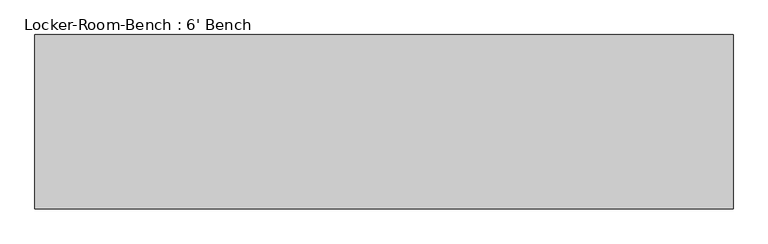
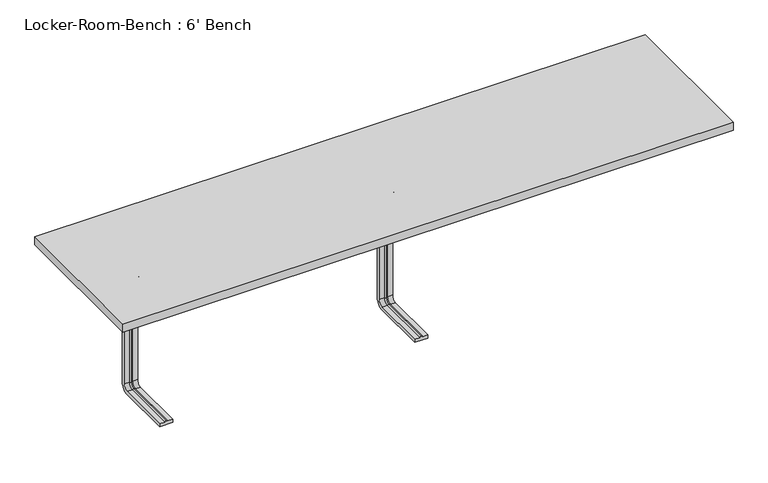
"""IFC4 building model written with IfcOpenShell, lengths in millimetres: proxy geometry, Locker-Room-Bench : 6' Bench."""

from ifc_helpers import new_model, si_unit, point, frame, origin, place, context, project, spatial, polyline, circle_curve, ellipse_curve, trimmed, outline, extrude, source, transform, mapped, element, save
from ifc_brep_helpers import plane_surface, cylinder_surface, revolved_surface, advanced_brep


def locker_room_bench_6_bench_adb4860a(model_context):
    return source(origin(), model_context, "Body", "SolidModel", [
        advanced_brep(
        [(-744.4, -193.6, 381.4), (-784.4, -193.6, 381.4), (-784.4, -193.6, 371.4), (-769.4, -193.6, 371.4), (-764.4, -193.6, 369.0684617), (-759.4, -193.6, 371.4), (-744.4, -193.6, 371.4), (-744.4, -25.0, 381.4), (-784.4, -25.0, 381.4), (-784.4, 0.0, 356.4), (-784.4, 0.0, 40.0), (-784.4, -25.0, 15.0), (-784.4, -193.6, 15.0), (-784.4, -193.6, 25.0), (-784.4, -25.0, 25.0), (-784.4, -10.0, 40.0), (-784.4, -10.0, 356.4), (-784.4, -25.0, 371.4), (-769.4, -25.0, 371.4), (-764.4, -25.0, 369.0684617), (-759.4, -25.0, 371.4), (-744.4, -25.0, 371.4), (-744.4, -10.0, 356.4), (-744.4, -10.0, 40.0), (-744.4, -25.0, 25.0), (-744.4, -193.6, 25.0), (-744.4, -193.6, 15.0), (-744.4, -25.0, 15.0), (-744.4, 0.0, 40.0), (-744.4, 0.0, 356.4), (-769.4, -10.0, 356.4), (-764.4, -12.3315383, 356.4), (-759.4, -10.0, 356.4), (-769.4, -10.0, 40.0), (-764.4, -12.3315383, 40.0), (-759.4, -10.0, 40.0), (-769.4, -25.0, 25.0), (-764.4, -25.0, 27.3315383), (-759.4, -25.0, 25.0), (-759.4, -193.6, 25.0), (-764.4, -193.6, 27.3315383), (-769.4, -193.6, 25.0)],
        [
            (0, 1),
            (1, 2),
            (2, 3),
            (3, 4, circle_curve(frame((-764.6996409, -193.6, 374.9529162), z_axis=(0.0, -1.0, 0.0), x_axis=(0.0, 0.0, 1.0)), 5.8920785)),
            (4, 5, circle_curve(frame((-764.1003591, -193.6, 374.9529162), z_axis=(0.0, -1.0, 0.0), x_axis=(0.0, 0.0, 1.0)), 5.8920785)),
            (5, 6),
            (6, 0),
            (0, 7),
            (7, 8),
            (8, 1),
            (8, 9, circle_curve(frame((-784.4, -25.0, 356.4), z_axis=(-1.0, 0.0, 0.0), x_axis=(0.0, 0.0, 1.0)), 25.0)),
            (9, 10),
            (10, 11, circle_curve(frame((-784.4, -25.0, 40.0), z_axis=(-1.0, 0.0, 0.0), x_axis=(0.0, 1.0, 0.0)), 25.0)),
            (11, 12),
            (12, 13),
            (13, 14),
            (14, 15, circle_curve(frame((-784.4, -25.0, 40.0), z_axis=(1.0, 0.0, 0.0), x_axis=(0.0, 1.0, 0.0)), 15.0)),
            (15, 16),
            (16, 17, circle_curve(frame((-784.4, -25.0, 356.4), z_axis=(1.0, 0.0, 0.0), x_axis=(0.0, 0.0, 1.0)), 15.0)),
            (17, 2),
            (17, 18),
            (18, 3),
            (18, 19, circle_curve(frame((-764.6996409, -25.0, 374.9529162), z_axis=(0.0, -1.0, 0.0), x_axis=(0.0, 0.0, 1.0)), 5.8920785)),
            (19, 4),
            (19, 20, circle_curve(frame((-764.1003591, -25.0, 374.9529162), z_axis=(0.0, -1.0, 0.0), x_axis=(0.0, 0.0, 1.0)), 5.8920785)),
            (20, 5),
            (20, 21),
            (21, 6),
            (21, 22, circle_curve(frame((-744.4, -25.0, 356.4), z_axis=(-1.0, 0.0, 0.0), x_axis=(0.0, 0.0, 1.0)), 15.0)),
            (22, 23),
            (23, 24, circle_curve(frame((-744.4, -25.0, 40.0), z_axis=(-1.0, 0.0, 0.0), x_axis=(0.0, 1.0, 0.0)), 15.0)),
            (24, 25),
            (25, 26),
            (26, 27),
            (27, 28, circle_curve(frame((-744.4, -25.0, 40.0), z_axis=(1.0, 0.0, 0.0), x_axis=(0.0, 1.0, 0.0)), 25.0)),
            (28, 29),
            (29, 7, circle_curve(frame((-744.4, -25.0, 356.4), z_axis=(1.0, 0.0, 0.0), x_axis=(0.0, 0.0, 1.0)), 25.0)),
            (29, 9),
            (30, 18, circle_curve(frame((-769.4, -25.0, 356.4), z_axis=(1.0, 0.0, 0.0), x_axis=(0.0, 0.0, 1.0)), 15.0)),
            (16, 30),
            (31, 19, circle_curve(frame((-764.4, -25.0, 356.4), z_axis=(1.0, 0.0, 0.0), x_axis=(0.0, 0.0, 1.0)), 12.6684617)),
            (30, 31, circle_curve(frame((-764.6996409, -6.4470838, 356.4), z_axis=(0.0, 0.0, 1.0), x_axis=(0.0, 1.0, 0.0)), 5.8920785)),
            (32, 20, circle_curve(frame((-759.4, -25.0, 356.4), z_axis=(1.0, 0.0, 0.0), x_axis=(0.0, 0.0, 1.0)), 15.0)),
            (31, 32, circle_curve(frame((-764.1003591, -6.4470838, 356.4), z_axis=(0.0, 0.0, 1.0), x_axis=(0.0, 1.0, 0.0)), 5.8920785)),
            (32, 22),
            (28, 10),
            (15, 33),
            (33, 30),
            (33, 34, circle_curve(frame((-764.6996409, -6.4470838, 40.0), z_axis=(0.0, 0.0, 1.0), x_axis=(0.0, 1.0, 0.0)), 5.8920785)),
            (34, 31),
            (34, 35, circle_curve(frame((-764.1003591, -6.4470838, 40.0), z_axis=(0.0, 0.0, 1.0), x_axis=(0.0, 1.0, 0.0)), 5.8920785)),
            (35, 32),
            (35, 23),
            (27, 11),
            (36, 33, circle_curve(frame((-769.4, -25.0, 40.0), z_axis=(1.0, 0.0, 0.0), x_axis=(0.0, 1.0, 0.0)), 15.0)),
            (14, 36),
            (37, 34, circle_curve(frame((-764.4, -25.0, 40.0), z_axis=(1.0, 0.0, 0.0), x_axis=(0.0, 1.0, 0.0)), 12.6684617)),
            (36, 37, circle_curve(frame((-764.6996409, -25.0, 21.4470838), z_axis=(0.0, 1.0, 0.0), x_axis=(0.0, 0.0, -1.0)), 5.8920785)),
            (38, 35, circle_curve(frame((-759.4, -25.0, 40.0), z_axis=(1.0, 0.0, 0.0), x_axis=(0.0, 1.0, 0.0)), 15.0)),
            (37, 38, circle_curve(frame((-764.1003591, -25.0, 21.4470838), z_axis=(0.0, 1.0, 0.0), x_axis=(0.0, 0.0, -1.0)), 5.8920785)),
            (38, 24),
            (25, 39),
            (39, 40, circle_curve(frame((-764.1003591, -193.6, 21.4470838), z_axis=(0.0, -1.0, 0.0), x_axis=(0.0, 0.0, -1.0)), 5.8920785)),
            (40, 41, circle_curve(frame((-764.6996409, -193.6, 21.4470838), z_axis=(0.0, -1.0, 0.0), x_axis=(0.0, 0.0, -1.0)), 5.8920785)),
            (41, 13),
            (12, 26),
            (41, 36),
            (40, 37),
            (39, 38),
        ],
        [
            plane_surface(frame((-764.4, -193.6, 381.4), z_axis=(0.0, -1.0, 0.0), x_axis=(1.0, 0.0, 0.0))),
            plane_surface(frame((-744.4, -193.6, 381.4), z_axis=(0.0, 0.0, 1.0), x_axis=(0.0, 1.0, 0.0))),
            plane_surface(frame((-784.4, -193.6, 381.4), z_axis=(-1.0, 0.0, 0.0), x_axis=(0.0, 1.0, 0.0))),
            plane_surface(frame((-784.4, -193.6, 371.4), z_axis=(0.0, 0.0, -1.0), x_axis=(0.0, 1.0, 0.0))),
            cylinder_surface(frame((-764.6996409, -193.6, 374.9529162), z_axis=(0.0, -1.0, 0.0), x_axis=(0.0, 0.0, 1.0)), 5.8920785),
            cylinder_surface(frame((-764.1003591, -193.6, 374.9529162), z_axis=(0.0, -1.0, 0.0), x_axis=(0.0, 0.0, 1.0)), 5.8920785),
            plane_surface(frame((-759.4, -193.6, 371.4), z_axis=(0.0, 0.0, -1.0), x_axis=(0.0, 1.0, 0.0))),
            plane_surface(frame((-744.4, -193.6, 371.4), z_axis=(1.0, 0.0, 0.0), x_axis=(0.0, 1.0, 0.0))),
            cylinder_surface(frame((-764.4, -25.0, 356.4), z_axis=(-1.0, 0.0, 0.0), x_axis=(0.0, 0.0, 1.0)), 25.0),
            revolved_surface(polyline([(-784.4, -25.0, 371.4), (-769.4, -25.0, 371.4)]), (-764.4, -25.0, 356.4), (-1.0, 0.0, 0.0)),
            revolved_surface(trimmed(ellipse_curve(frame((-764.6996409, -25.0, 374.9529162), z_axis=(0.0, -1.0, 0.0), x_axis=(0.0, 0.0, 1.0)), 5.8920785, 5.8920785), [point((-769.4, -25.0, 371.4))], [point((-764.4, -25.0, 369.0684617))], True, "CARTESIAN"), (-764.4, -25.0, 356.4), (-1.0, 0.0, 0.0)),
            revolved_surface(trimmed(ellipse_curve(frame((-764.1003591, -25.0, 374.9529162), z_axis=(0.0, -1.0, 0.0), x_axis=(0.0, 0.0, 1.0)), 5.8920785, 5.8920785), [point((-764.4, -25.0, 369.0684617))], [point((-759.4, -25.0, 371.4))], True, "CARTESIAN"), (-764.4, -25.0, 356.4), (-1.0, 0.0, 0.0)),
            revolved_surface(polyline([(-759.4, -25.0, 371.4), (-744.4, -25.0, 371.4)]), (-764.4, -25.0, 356.4), (-1.0, 0.0, 0.0)),
            plane_surface(frame((-744.4, 0.0, 356.4), z_axis=(0.0, 1.0, 0.0), x_axis=(0.0, 0.0, -1.0))),
            plane_surface(frame((-784.4, -10.0, 356.4), z_axis=(0.0, -1.0, 0.0), x_axis=(0.0, 0.0, -1.0))),
            cylinder_surface(frame((-764.6996409, -6.4470838, 356.4), z_axis=(0.0, 0.0, 1.0), x_axis=(0.0, 1.0, 0.0)), 5.8920785),
            cylinder_surface(frame((-764.1003591, -6.4470838, 356.4), z_axis=(0.0, 0.0, 1.0), x_axis=(0.0, 1.0, 0.0)), 5.8920785),
            plane_surface(frame((-759.4, -10.0, 356.4), z_axis=(0.0, -1.0, 0.0), x_axis=(0.0, 0.0, -1.0))),
            cylinder_surface(frame((-764.4, -25.0, 40.0), z_axis=(-1.0, 0.0, 0.0), x_axis=(0.0, 1.0, 0.0)), 25.0),
            revolved_surface(polyline([(-784.4, -10.0, 40.0), (-769.4, -10.0, 40.0)]), (-764.4, -25.0, 40.0), (-1.0, 0.0, 0.0)),
            revolved_surface(trimmed(ellipse_curve(frame((-764.6996409, -6.4470838, 40.0), z_axis=(0.0, 0.0, 1.0), x_axis=(0.0, 1.0, 0.0)), 5.8920785, 5.8920785), [point((-769.4, -10.0, 40.0))], [point((-764.4, -12.3315383, 40.0))], True, "CARTESIAN"), (-764.4, -25.0, 40.0), (-1.0, 0.0, 0.0)),
            revolved_surface(trimmed(ellipse_curve(frame((-764.1003591, -6.4470838, 40.0), z_axis=(0.0, 0.0, 1.0), x_axis=(0.0, 1.0, 0.0)), 5.8920785, 5.8920785), [point((-764.4, -12.3315383, 40.0))], [point((-759.4, -10.0, 40.0))], True, "CARTESIAN"), (-764.4, -25.0, 40.0), (-1.0, 0.0, 0.0)),
            revolved_surface(polyline([(-759.4, -10.0, 40.0), (-744.4, -10.0, 40.0)]), (-764.4, -25.0, 40.0), (-1.0, 0.0, 0.0)),
            plane_surface(frame((-764.4, -193.6, 15.0), z_axis=(0.0, -1.0, 0.0), x_axis=(1.0, 0.0, 0.0))),
            plane_surface(frame((-744.4, -25.0, 15.0), z_axis=(0.0, 0.0, -1.0), x_axis=(0.0, -1.0, 0.0))),
            plane_surface(frame((-784.4, -25.0, 25.0), z_axis=(0.0, 0.0, 1.0), x_axis=(0.0, -1.0, 0.0))),
            cylinder_surface(frame((-764.6996409, -25.0, 21.4470838), z_axis=(0.0, 1.0, 0.0), x_axis=(0.0, 0.0, -1.0)), 5.8920785),
            cylinder_surface(frame((-764.1003591, -25.0, 21.4470838), z_axis=(0.0, 1.0, 0.0), x_axis=(0.0, 0.0, -1.0)), 5.8920785),
            plane_surface(frame((-759.4, -25.0, 25.0), z_axis=(0.0, 0.0, 1.0), x_axis=(0.0, -1.0, 0.0))),
        ],
        [
            (0, [[1, 2, 3, 4, 5, 6, 7]]),
            (1, [[-1, 8, 9, 10]]),
            (2, [[-2, -10, 11, 12, 13, 14, 15, 16, 17, 18, 19, 20]]),
            (3, [[-3, -20, 21, 22]]),
            (4, [[-4, -22, 23, 24]]),
            (5, [[-5, -24, 25, 26]]),
            (6, [[-6, -26, 27, 28]]),
            (7, [[-7, -28, 29, 30, 31, 32, 33, 34, 35, 36, 37, -8]]),
            (8, [[-11, -9, -37, 38]]),
            (9, [[39, -21, -19, 40]]),
            (10, [[41, -23, -39, 42]]),
            (11, [[43, -25, -41, 44]]),
            (12, [[-29, -27, -43, 45]]),
            (13, [[-38, -36, 46, -12]]),
            (14, [[-40, -18, 47, 48]]),
            (15, [[-42, -48, 49, 50]]),
            (16, [[-44, -50, 51, 52]]),
            (17, [[-45, -52, 53, -30]]),
            (18, [[-13, -46, -35, 54]]),
            (19, [[55, -47, -17, 56]]),
            (20, [[57, -49, -55, 58]]),
            (21, [[59, -51, -57, 60]]),
            (22, [[-31, -53, -59, 61]]),
            (23, [[-33, 62, 63, 64, 65, -15, 66]]),
            (24, [[-54, -34, -66, -14]]),
            (25, [[-56, -16, -65, 67]]),
            (26, [[-58, -67, -64, 68]]),
            (27, [[-60, -68, -63, 69]]),
            (28, [[-61, -69, -62, -32]]),
        ],
    ),
        advanced_brep(
        [(20.0, -193.6, 381.4), (-20.0, -193.6, 381.4), (-20.0, -193.6, 371.4), (-5.0, -193.6, 371.4), (0.0, -193.6, 369.0684617), (5.0, -193.6, 371.4), (20.0, -193.6, 371.4), (20.0, -25.0, 381.4), (-20.0, -25.0, 381.4), (-20.0, 0.0, 356.4), (-20.0, 0.0, 40.0), (-20.0, -25.0, 15.0), (-20.0, -193.6, 15.0), (-20.0, -193.6, 25.0), (-20.0, -25.0, 25.0), (-20.0, -10.0, 40.0), (-20.0, -10.0, 356.4), (-20.0, -25.0, 371.4), (-5.0, -25.0, 371.4), (0.0, -25.0, 369.0684617), (5.0, -25.0, 371.4), (20.0, -25.0, 371.4), (20.0, -10.0, 356.4), (20.0, -10.0, 40.0), (20.0, -25.0, 25.0), (20.0, -193.6, 25.0), (20.0, -193.6, 15.0), (20.0, -25.0, 15.0), (20.0, 0.0, 40.0), (20.0, 0.0, 356.4), (-5.0, -10.0, 356.4), (0.0, -12.3315383, 356.4), (5.0, -10.0, 356.4), (-5.0, -10.0, 40.0), (0.0, -12.3315383, 40.0), (5.0, -10.0, 40.0), (-5.0, -25.0, 25.0), (0.0, -25.0, 27.3315383), (5.0, -25.0, 25.0), (5.0, -193.6, 25.0), (0.0, -193.6, 27.3315383), (-5.0, -193.6, 25.0)],
        [
            (0, 1),
            (1, 2),
            (2, 3),
            (3, 4, circle_curve(frame((-0.2996409, -193.6, 374.9529162), z_axis=(0.0, -1.0, 0.0), x_axis=(0.0, 0.0, 1.0)), 5.8920785)),
            (4, 5, circle_curve(frame((0.2996409, -193.6, 374.9529162), z_axis=(0.0, -1.0, 0.0), x_axis=(0.0, 0.0, 1.0)), 5.8920785)),
            (5, 6),
            (6, 0),
            (0, 7),
            (7, 8),
            (8, 1),
            (8, 9, circle_curve(frame((-20.0, -25.0, 356.4), z_axis=(-1.0, 0.0, 0.0), x_axis=(0.0, 0.0, 1.0)), 25.0)),
            (9, 10),
            (10, 11, circle_curve(frame((-20.0, -25.0, 40.0), z_axis=(-1.0, 0.0, 0.0), x_axis=(0.0, 1.0, 0.0)), 25.0)),
            (11, 12),
            (12, 13),
            (13, 14),
            (14, 15, circle_curve(frame((-20.0, -25.0, 40.0), z_axis=(1.0, 0.0, 0.0), x_axis=(0.0, 1.0, 0.0)), 15.0)),
            (15, 16),
            (16, 17, circle_curve(frame((-20.0, -25.0, 356.4), z_axis=(1.0, 0.0, 0.0), x_axis=(0.0, 0.0, 1.0)), 15.0)),
            (17, 2),
            (17, 18),
            (18, 3),
            (18, 19, circle_curve(frame((-0.2996409, -25.0, 374.9529162), z_axis=(0.0, -1.0, 0.0), x_axis=(0.0, 0.0, 1.0)), 5.8920785)),
            (19, 4),
            (19, 20, circle_curve(frame((0.2996409, -25.0, 374.9529162), z_axis=(0.0, -1.0, 0.0), x_axis=(0.0, 0.0, 1.0)), 5.8920785)),
            (20, 5),
            (20, 21),
            (21, 6),
            (21, 22, circle_curve(frame((20.0, -25.0, 356.4), z_axis=(-1.0, 0.0, 0.0), x_axis=(0.0, 0.0, 1.0)), 15.0)),
            (22, 23),
            (23, 24, circle_curve(frame((20.0, -25.0, 40.0), z_axis=(-1.0, 0.0, 0.0), x_axis=(0.0, 1.0, 0.0)), 15.0)),
            (24, 25),
            (25, 26),
            (26, 27),
            (27, 28, circle_curve(frame((20.0, -25.0, 40.0), z_axis=(1.0, 0.0, 0.0), x_axis=(0.0, 1.0, 0.0)), 25.0)),
            (28, 29),
            (29, 7, circle_curve(frame((20.0, -25.0, 356.4), z_axis=(1.0, 0.0, 0.0), x_axis=(0.0, 0.0, 1.0)), 25.0)),
            (29, 9),
            (30, 18, circle_curve(frame((-5.0, -25.0, 356.4), z_axis=(1.0, 0.0, 0.0), x_axis=(0.0, 0.0, 1.0)), 15.0)),
            (16, 30),
            (31, 19, circle_curve(frame((0.0, -25.0, 356.4), z_axis=(1.0, 0.0, 0.0), x_axis=(0.0, 0.0, 1.0)), 12.6684617)),
            (30, 31, circle_curve(frame((-0.2996409, -6.4470838, 356.4), z_axis=(0.0, 0.0, 1.0), x_axis=(0.0, 1.0, 0.0)), 5.8920785)),
            (32, 20, circle_curve(frame((5.0, -25.0, 356.4), z_axis=(1.0, 0.0, 0.0), x_axis=(0.0, 0.0, 1.0)), 15.0)),
            (31, 32, circle_curve(frame((0.2996409, -6.4470838, 356.4), z_axis=(0.0, 0.0, 1.0), x_axis=(0.0, 1.0, 0.0)), 5.8920785)),
            (32, 22),
            (28, 10),
            (15, 33),
            (33, 30),
            (33, 34, circle_curve(frame((-0.2996409, -6.4470838, 40.0), z_axis=(0.0, 0.0, 1.0), x_axis=(0.0, 1.0, 0.0)), 5.8920785)),
            (34, 31),
            (34, 35, circle_curve(frame((0.2996409, -6.4470838, 40.0), z_axis=(0.0, 0.0, 1.0), x_axis=(0.0, 1.0, 0.0)), 5.8920785)),
            (35, 32),
            (35, 23),
            (27, 11),
            (36, 33, circle_curve(frame((-5.0, -25.0, 40.0), z_axis=(1.0, 0.0, 0.0), x_axis=(0.0, 1.0, 0.0)), 15.0)),
            (14, 36),
            (37, 34, circle_curve(frame((0.0, -25.0, 40.0), z_axis=(1.0, 0.0, 0.0), x_axis=(0.0, 1.0, 0.0)), 12.6684617)),
            (36, 37, circle_curve(frame((-0.2996409, -25.0, 21.4470838), z_axis=(0.0, 1.0, 0.0), x_axis=(0.0, 0.0, -1.0)), 5.8920785)),
            (38, 35, circle_curve(frame((5.0, -25.0, 40.0), z_axis=(1.0, 0.0, 0.0), x_axis=(0.0, 1.0, 0.0)), 15.0)),
            (37, 38, circle_curve(frame((0.2996409, -25.0, 21.4470838), z_axis=(0.0, 1.0, 0.0), x_axis=(0.0, 0.0, -1.0)), 5.8920785)),
            (38, 24),
            (25, 39),
            (39, 40, circle_curve(frame((0.2996409, -193.6, 21.4470838), z_axis=(0.0, -1.0, 0.0), x_axis=(0.0, 0.0, -1.0)), 5.8920785)),
            (40, 41, circle_curve(frame((-0.2996409, -193.6, 21.4470838), z_axis=(0.0, -1.0, 0.0), x_axis=(0.0, 0.0, -1.0)), 5.8920785)),
            (41, 13),
            (12, 26),
            (41, 36),
            (40, 37),
            (39, 38),
        ],
        [
            plane_surface(frame((0.0, -193.6, 381.4), z_axis=(0.0, -1.0, 0.0), x_axis=(1.0, 0.0, 0.0))),
            plane_surface(frame((20.0, -193.6, 381.4), z_axis=(0.0, 0.0, 1.0), x_axis=(0.0, 1.0, 0.0))),
            plane_surface(frame((-20.0, -193.6, 381.4), z_axis=(-1.0, 0.0, 0.0), x_axis=(0.0, 1.0, 0.0))),
            plane_surface(frame((-20.0, -193.6, 371.4), z_axis=(0.0, 0.0, -1.0), x_axis=(0.0, 1.0, 0.0))),
            cylinder_surface(frame((-0.2996409, -193.6, 374.9529162), z_axis=(0.0, -1.0, 0.0), x_axis=(0.0, 0.0, 1.0)), 5.8920785),
            cylinder_surface(frame((0.2996409, -193.6, 374.9529162), z_axis=(0.0, -1.0, 0.0), x_axis=(0.0, 0.0, 1.0)), 5.8920785),
            plane_surface(frame((5.0, -193.6, 371.4), z_axis=(0.0, 0.0, -1.0), x_axis=(0.0, 1.0, 0.0))),
            plane_surface(frame((20.0, -193.6, 371.4), z_axis=(1.0, 0.0, 0.0), x_axis=(0.0, 1.0, 0.0))),
            cylinder_surface(frame((0.0, -25.0, 356.4), z_axis=(-1.0, 0.0, 0.0), x_axis=(0.0, 0.0, 1.0)), 25.0),
            revolved_surface(polyline([(-20.0, -25.0, 371.4), (-5.0, -25.0, 371.4)]), (0.0, -25.0, 356.4), (-1.0, 0.0, 0.0)),
            revolved_surface(trimmed(ellipse_curve(frame((-0.2996409, -25.0, 374.9529162), z_axis=(0.0, -1.0, 0.0), x_axis=(0.0, 0.0, 1.0)), 5.8920785, 5.8920785), [point((-5.0, -25.0, 371.4))], [point((0.0, -25.0, 369.0684617))], True, "CARTESIAN"), (0.0, -25.0, 356.4), (-1.0, 0.0, 0.0)),
            revolved_surface(trimmed(ellipse_curve(frame((0.2996409, -25.0, 374.9529162), z_axis=(0.0, -1.0, 0.0), x_axis=(0.0, 0.0, 1.0)), 5.8920785, 5.8920785), [point((0.0, -25.0, 369.0684617))], [point((5.0, -25.0, 371.4))], True, "CARTESIAN"), (0.0, -25.0, 356.4), (-1.0, 0.0, 0.0)),
            revolved_surface(polyline([(5.0, -25.0, 371.4), (20.0, -25.0, 371.4)]), (0.0, -25.0, 356.4), (-1.0, 0.0, 0.0)),
            plane_surface(frame((20.0, 0.0, 356.4), z_axis=(0.0, 1.0, 0.0), x_axis=(0.0, 0.0, -1.0))),
            plane_surface(frame((-20.0, -10.0, 356.4), z_axis=(0.0, -1.0, 0.0), x_axis=(0.0, 0.0, -1.0))),
            cylinder_surface(frame((-0.2996409, -6.4470838, 356.4), z_axis=(0.0, 0.0, 1.0), x_axis=(0.0, 1.0, 0.0)), 5.8920785),
            cylinder_surface(frame((0.2996409, -6.4470838, 356.4), z_axis=(0.0, 0.0, 1.0), x_axis=(0.0, 1.0, 0.0)), 5.8920785),
            plane_surface(frame((5.0, -10.0, 356.4), z_axis=(0.0, -1.0, 0.0), x_axis=(0.0, 0.0, -1.0))),
            cylinder_surface(frame((0.0, -25.0, 40.0), z_axis=(-1.0, 0.0, 0.0), x_axis=(0.0, 1.0, 0.0)), 25.0),
            revolved_surface(polyline([(-20.0, -10.0, 40.0), (-5.0, -10.0, 40.0)]), (0.0, -25.0, 40.0), (-1.0, 0.0, 0.0)),
            revolved_surface(trimmed(ellipse_curve(frame((-0.2996409, -6.4470838, 40.0), z_axis=(0.0, 0.0, 1.0), x_axis=(0.0, 1.0, 0.0)), 5.8920785, 5.8920785), [point((-5.0, -10.0, 40.0))], [point((0.0, -12.3315383, 40.0))], True, "CARTESIAN"), (0.0, -25.0, 40.0), (-1.0, 0.0, 0.0)),
            revolved_surface(trimmed(ellipse_curve(frame((0.2996409, -6.4470838, 40.0), z_axis=(0.0, 0.0, 1.0), x_axis=(0.0, 1.0, 0.0)), 5.8920785, 5.8920785), [point((0.0, -12.3315383, 40.0))], [point((5.0, -10.0, 40.0))], True, "CARTESIAN"), (0.0, -25.0, 40.0), (-1.0, 0.0, 0.0)),
            revolved_surface(polyline([(5.0, -10.0, 40.0), (20.0, -10.0, 40.0)]), (0.0, -25.0, 40.0), (-1.0, 0.0, 0.0)),
            plane_surface(frame((0.0, -193.6, 15.0), z_axis=(0.0, -1.0, 0.0), x_axis=(1.0, 0.0, 0.0))),
            plane_surface(frame((20.0, -25.0, 15.0), z_axis=(0.0, 0.0, -1.0), x_axis=(0.0, -1.0, 0.0))),
            plane_surface(frame((-20.0, -25.0, 25.0), z_axis=(0.0, 0.0, 1.0), x_axis=(0.0, -1.0, 0.0))),
            cylinder_surface(frame((-0.2996409, -25.0, 21.4470838), z_axis=(0.0, 1.0, 0.0), x_axis=(0.0, 0.0, -1.0)), 5.8920785),
            cylinder_surface(frame((0.2996409, -25.0, 21.4470838), z_axis=(0.0, 1.0, 0.0), x_axis=(0.0, 0.0, -1.0)), 5.8920785),
            plane_surface(frame((5.0, -25.0, 25.0), z_axis=(0.0, 0.0, 1.0), x_axis=(0.0, -1.0, 0.0))),
        ],
        [
            (0, [[1, 2, 3, 4, 5, 6, 7]]),
            (1, [[-1, 8, 9, 10]]),
            (2, [[-2, -10, 11, 12, 13, 14, 15, 16, 17, 18, 19, 20]]),
            (3, [[-3, -20, 21, 22]]),
            (4, [[-4, -22, 23, 24]]),
            (5, [[-5, -24, 25, 26]]),
            (6, [[-6, -26, 27, 28]]),
            (7, [[-7, -28, 29, 30, 31, 32, 33, 34, 35, 36, 37, -8]]),
            (8, [[-11, -9, -37, 38]]),
            (9, [[39, -21, -19, 40]]),
            (10, [[41, -23, -39, 42]]),
            (11, [[43, -25, -41, 44]]),
            (12, [[-29, -27, -43, 45]]),
            (13, [[-38, -36, 46, -12]]),
            (14, [[-40, -18, 47, 48]]),
            (15, [[-42, -48, 49, 50]]),
            (16, [[-44, -50, 51, 52]]),
            (17, [[-45, -52, 53, -30]]),
            (18, [[-13, -46, -35, 54]]),
            (19, [[55, -47, -17, 56]]),
            (20, [[57, -49, -55, 58]]),
            (21, [[59, -51, -57, 60]]),
            (22, [[-31, -53, -59, 61]]),
            (23, [[-33, 62, 63, 64, 65, -15, 66]]),
            (24, [[-54, -34, -66, -14]]),
            (25, [[-56, -16, -65, 67]]),
            (26, [[-58, -67, -64, 68]]),
            (27, [[-60, -68, -63, 69]]),
            (28, [[-61, -69, -62, -32]]),
        ],
    ),
        extrude(outline(polyline([(914.4, 228.6), (914.4, -228.6), (-914.4, -228.6), (-914.4, 228.6), (914.4, 228.6)])), frame((0.0, 0.0, 381.4), z_axis=(0.0, 0.0, 1.0), x_axis=(1.0, 0.0, 0.0)), (0.0, 0.0, 1.0), 25.0),
    ])


if __name__ == "__main__":
    model = new_model("IFC4")
    model_context = context("Model", 3, world=origin())
    ifc_project = project(units=[si_unit("LENGTHUNIT", "METRE", prefix="MILLI")], contexts=[model_context])
    site = spatial("IfcSite", under=ifc_project)
    building = spatial("IfcBuilding", under=site)
    placement = place(None, origin())
    locker_room_bench_6_bench_shape = locker_room_bench_6_bench_adb4860a(model_context)
    element("IfcBuildingElementProxy", 1, Name="Locker-Room-Bench : 6' Bench", ObjectType="Locker-Room-Bench : 6' Bench", at=placement, inside=building, context=model_context, shape_type="MappedRepresentation", body=[
        mapped(locker_room_bench_6_bench_shape, transform((0.0, 0.0, 0.0), x_axis=(1.0, 0.0, 0.0), y_axis=(0.0, 1.0, 0.0), z_axis=(0.0, 0.0, 1.0))),
    ])
    save(model, "model.ifc")
